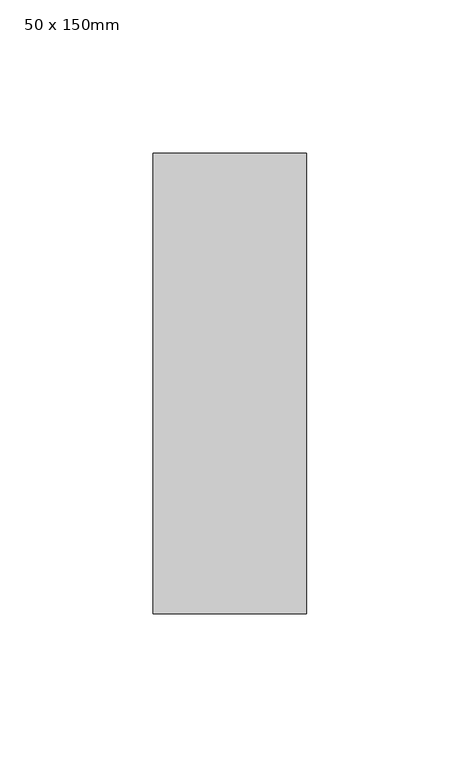
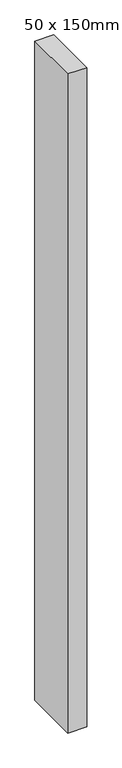
"""IFC4 building model written with IfcOpenShell, lengths in millimetres: member geometry, 50 x 150mm."""

from ifc_helpers import new_model, si_unit, frame, origin, place, context, project, spatial, polyline, outline, extrude, source, transform, mapped, element, save


def member_50_x_150mm_9c1c0d0c(model_context):
    return source(origin(), model_context, "Body", "SweptSolid", [
        extrude(outline(polyline([(0.0, 75.0), (0.0, -75.0), (-50.0, -75.0), (-50.0, 75.0), (0.0, 75.0)])), frame((0.0, 0.0, -1839.9082248), z_axis=(0.0, 0.0, 1.0), x_axis=(1.0, 0.0, 0.0)), (0.0, 0.0, 1.0), 1839.9082248),
    ])


if __name__ == "__main__":
    model = new_model("IFC4")
    model_context = context("Model", 3, world=origin())
    ifc_project = project(units=[si_unit("LENGTHUNIT", "METRE", prefix="MILLI")], contexts=[model_context])
    site = spatial("IfcSite", under=ifc_project)
    building = spatial("IfcBuilding", under=site)
    placement = place(None, origin())
    member_50_x_150mm_shape = member_50_x_150mm_9c1c0d0c(model_context)
    element("IfcMember", 1, ObjectType="50 x 150mm", at=placement, inside=building, context=model_context, shape_type="MappedRepresentation", body=[
        mapped(member_50_x_150mm_shape, transform((0.0, 0.0, 0.0), x_axis=(1.0, 0.0, 0.0), y_axis=(0.0, 1.0, 0.0), z_axis=(0.0, 0.0, 1.0))),
    ])
    save(model, "model.ifc")
